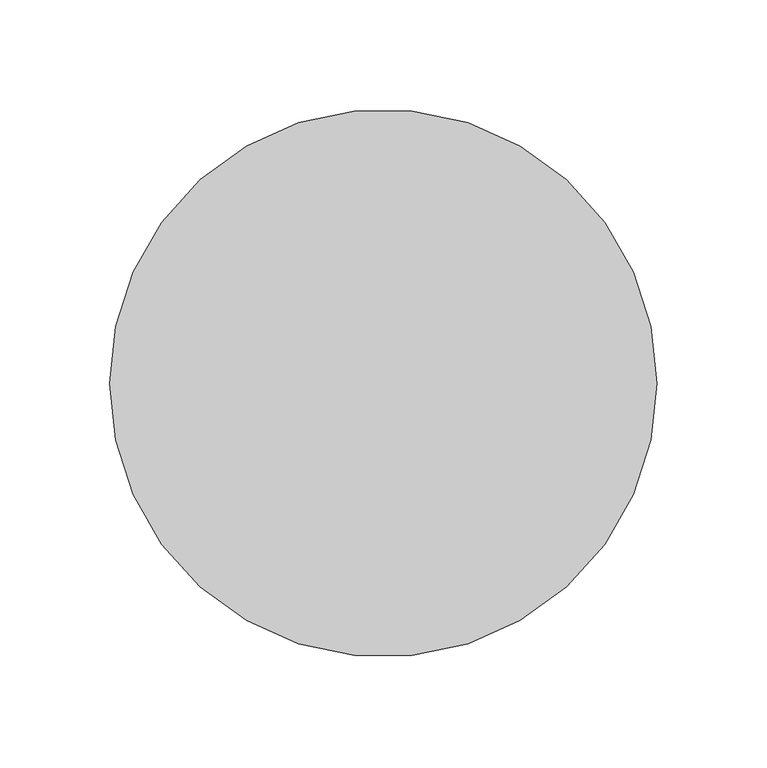
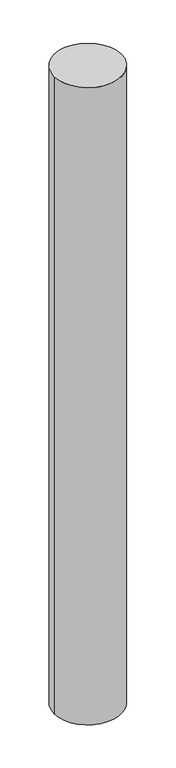
"""IFC4 building model written with IfcOpenShell, lengths in millimetres: column geometry."""

from ifc_helpers import new_model, si_unit, point, origin, origin_with_axes, origin_2d, place, context, project, spatial, circle_curve, trimmed, segment, composite_curve, outline, extrude, source, transform, mapped, element, save


def column_05c106c8(model_context):
    return source(origin(), model_context, "Body", "SweptSolid", [
        extrude(outline(composite_curve([segment(trimmed(circle_curve(origin_2d(), 125.0), [point((-125.0, 0.0))], [point((125.0, 0.0))], False, "CARTESIAN"), True, "CONTINUOUS"), segment(trimmed(circle_curve(origin_2d(), 125.0), [point((125.0, 0.0))], [point((-125.0, 0.0))], False, "CARTESIAN"), True, "CONTINUOUS")], self_intersect=False)), origin_with_axes(), (0.0, 0.0, 1.0), 2500.0),
    ])


if __name__ == "__main__":
    model = new_model("IFC4")
    model_context = context("Model", 3, world=origin())
    ifc_project = project(units=[si_unit("LENGTHUNIT", "METRE", prefix="MILLI")], contexts=[model_context])
    site = spatial("IfcSite", under=ifc_project)
    building = spatial("IfcBuilding", under=site)
    placement = place(None, origin())
    column_shape = column_05c106c8(model_context)
    element("IfcColumn", 1, at=placement, inside=building, context=model_context, shape_type="MappedRepresentation", body=[
        mapped(column_shape, transform((0.0, 0.0, 0.0), x_axis=(1.0, 0.0, 0.0), y_axis=(0.0, 1.0, 0.0), z_axis=(0.0, 0.0, 1.0))),
    ])
    save(model, "model.ifc")
